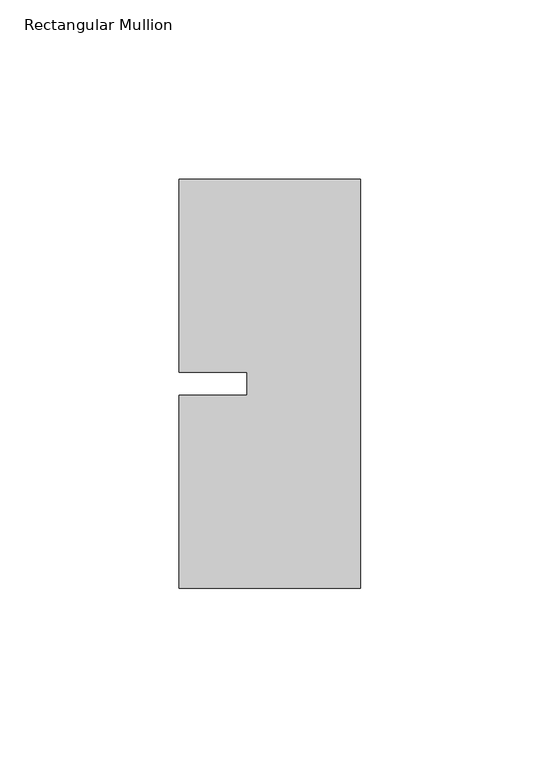
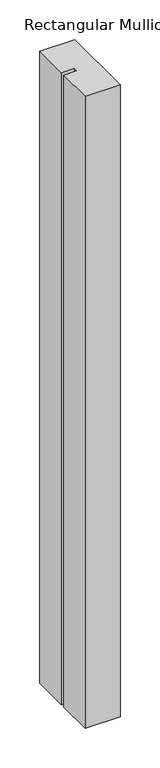
"""IFC4 building model written with IfcOpenShell, lengths in millimetres: member geometry, Rectangular Mullion."""

from ifc_helpers import new_model, si_unit, frame, origin, place, context, project, spatial, polyline, outline, extrude, source, transform, mapped, element, save


def rectangular_mullion_352ee446(model_context):
    return source(origin(), model_context, "Body", "SweptSolid", [
        extrude(outline(polyline([(-50.8, 57.15), (0.0, 57.15), (0.0, -57.15), (-50.8, -57.15), (-50.8, -3.175), (-31.75, -3.175), (-31.75, 3.175), (-50.8, 3.175), (-50.8, 57.15)])), frame((0.0, 0.0, -971.55), z_axis=(0.0, 0.0, 1.0), x_axis=(1.0, 0.0, 0.0)), (0.0, 0.0, 1.0), 971.55),
    ])


if __name__ == "__main__":
    model = new_model("IFC4")
    model_context = context("Model", 3, world=origin())
    ifc_project = project(units=[si_unit("LENGTHUNIT", "METRE", prefix="MILLI")], contexts=[model_context])
    site = spatial("IfcSite", under=ifc_project)
    building = spatial("IfcBuilding", under=site)
    placement = place(None, origin())
    rectangular_mullion_shape = rectangular_mullion_352ee446(model_context)
    element("IfcMember", 1, ObjectType="Rectangular Mullion", at=placement, inside=building, context=model_context, shape_type="MappedRepresentation", body=[
        mapped(rectangular_mullion_shape, transform((0.0, 0.0, 0.0), x_axis=(1.0, 0.0, 0.0), y_axis=(0.0, 1.0, 0.0), z_axis=(0.0, 0.0, 1.0))),
    ])
    save(model, "model.ifc")
